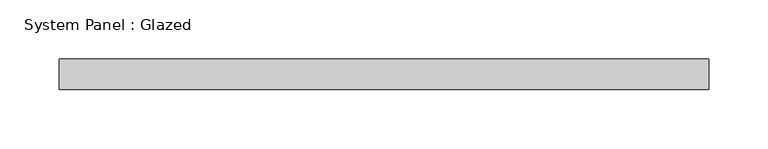
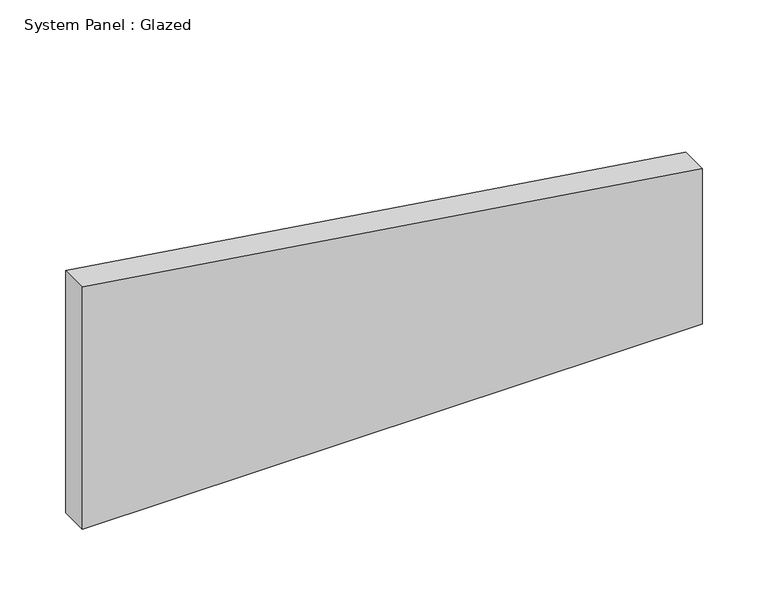
"""IFC4 building model written with IfcOpenShell, lengths in millimetres: plate geometry, System Panel : Glazed."""

from ifc_helpers import new_model, si_unit, frame, origin, place, context, project, spatial, polyline, outline, extrude, source, transform, mapped, element, save


def system_panel_glazed_230e62b2(model_context):
    return source(origin(), model_context, "Body", "SweptSolid", [
        extrude(outline(polyline([(0.0, -273.05), (0.0, 273.05), (144.73975, 273.05), (225.3435553, -273.05), (0.0, -273.05)])), frame((0.0, 19.05, 0.0), z_axis=(0.0, 1.0, 0.0), x_axis=(0.0, 0.0, 1.0)), (0.0, 0.0, 1.0), 25.4),
    ])


if __name__ == "__main__":
    model = new_model("IFC4")
    model_context = context("Model", 3, world=origin())
    ifc_project = project(units=[si_unit("LENGTHUNIT", "METRE", prefix="MILLI")], contexts=[model_context])
    site = spatial("IfcSite", under=ifc_project)
    building = spatial("IfcBuilding", under=site)
    placement = place(None, origin())
    system_panel_glazed_shape = system_panel_glazed_230e62b2(model_context)
    element("IfcPlate", 1, ObjectType="System Panel : Glazed", at=placement, inside=building, context=model_context, shape_type="MappedRepresentation", body=[
        mapped(system_panel_glazed_shape, transform((0.0, 0.0, 0.0), x_axis=(1.0, 0.0, 0.0), y_axis=(0.0, 1.0, 0.0), z_axis=(0.0, 0.0, 1.0))),
    ])
    save(model, "model.ifc")
